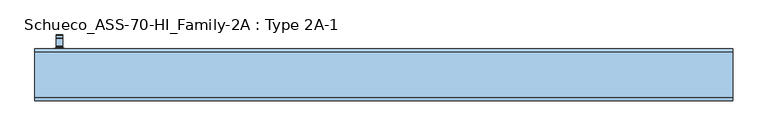
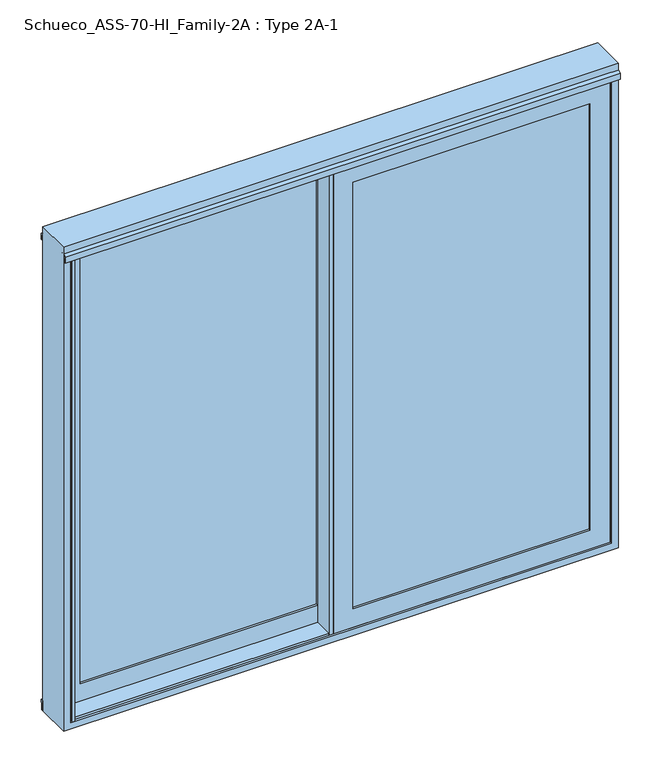
"""IFC4 building model written with IfcOpenShell, lengths in millimetres: window geometry, Schueco_ASS-70-HI_Family-2A : Type 2A-1."""

from ifc_helpers import new_model, si_unit, point, frame, frame_2d, origin, place, context, project, spatial, polyline, circle_curve, trimmed, segment, composite_curve, outline, extrude, faceted_brep, source, transform, mapped, element, save
from ifc_brep_helpers import plane_surface, cylinder_surface, revolved_surface, advanced_brep


def schueco_ass_70_hi_family_2a_type_2a_1_892fd0a1(model_context):
    return source(origin(), model_context, "Body", "SolidModel", [
        extrude(outline(polyline([(-34.0016236, -150.0), (-54.0015931, -150.0), (-54.0015931, -65.7878184), (0.0, -65.7878184), (0.0, -80.0102083), (-50.201528, -80.0102083), (-50.201528, -144.5000331), (-34.0016236, -144.5000331), (-34.0016236, -150.0)])), frame((0.0, 0.0, -6.9999052), z_axis=(0.0, 0.0, 1.0), x_axis=(1.0, 0.0, 0.0)), (0.0, 0.0, 1.0), 2187.9998104),
        extrude(outline(polyline([(2114.8998417, 32.1001583), (59.1001583, 32.1001583), (59.1001583, 1134.8998417), (2114.8998417, 1134.8998417), (2114.8998417, 32.1001583)]), holes=[polyline([(2092.899857, 1112.899857), (81.100143, 1112.899857), (81.100143, 54.100143), (2092.899857, 54.100143), (2092.899857, 1112.899857)])]), frame((0.0, -115.0324919, 0.0), z_axis=(0.0, 1.0, 0.0), x_axis=(0.0, 0.0, 1.0)), (0.0, 0.0, 1.0), 35.0222836),
        extrude(outline(polyline([(40.0984318, -115.0324919), (1126.9015682, -115.0324919), (1126.9015682, -141.0223361), (40.0984318, -141.0223361), (40.0984318, -115.0324919)])), frame((0.0, 0.0, 67.0984318), z_axis=(0.0, 0.0, 1.0), x_axis=(1.0, 0.0, 0.0)), (0.0, 0.0, 1.0), 2039.8031365),
        faceted_brep([(1201.0016236, -144.5000331, 2181.0016236), (1201.0016236, -150.0, 2181.0016236), (1201.0016236, -150.0, -7.0016236), (1201.0016236, -144.5000331, -7.0016236), (-34.0016236, -150.0, 2181.0016236), (-34.0016236, -150.0, -7.0016236), (1113.0016236, -150.0, 2093.0016236), (1113.0016236, -150.0, 80.9983764), (53.9983764, -150.0, 80.9983764), (53.9983764, -150.0, 2093.0016236), (-34.0016236, -144.5000331, -7.0016236), (-34.0016236, -144.5000331, 2181.0016236), (-3.9999052, -144.5000331, 2150.9999052), (-3.9999052, -144.5000331, 23.0000948), (1170.9999052, -144.5000331, 23.0000948), (1170.9999052, -144.5000331, 2150.9999052), (1170.9999052, -85.5102083, 2150.9999052), (1170.9999052, -85.5102083, 23.0000948), (-3.9999052, -85.5102083, 23.0000948), (-33.9999052, -85.5102083, 2180.9999052), (-33.9999052, -85.5102083, -6.9999052), (1200.9999052, -85.5102083, -6.9999052), (1200.9999052, -85.5102083, 2180.9999052), (-3.9999052, -85.5102083, 2150.9999052), (1200.9999052, -80.0102083, 2180.9999052), (1200.9999052, -80.0102083, -6.9999052), (-33.9999052, -80.0102083, -6.9999052), (-33.9999052, -80.0102083, 2180.9999052), (32.1001583, -80.0102083, 2114.8998417), (32.1001583, -80.0102083, 59.1001583), (1134.8998417, -80.0102083, 59.1001583), (1134.8998417, -80.0102083, 2114.8998417), (1126.9015682, -141.0223361, 2106.9015682), (1126.9015682, -115.0223361, 2106.9015682), (1126.9015682, -115.0223361, 67.0984318), (1126.9015682, -141.0223361, 67.0984318), (1134.8998417, -115.0223361, 2114.8998417), (1134.8998417, -115.0223361, 59.1001583), (32.1001583, -115.0223361, 59.1001583), (32.1001583, -115.0223361, 2114.8998417), (40.0984318, -115.0223361, 2106.9015682), (40.0984318, -115.0223361, 67.0984318), (40.0984318, -141.0223361, 67.0984318), (40.0984318, -141.0223361, 2106.9015682), (53.9983764, -141.0223361, 2093.0016236), (53.9983764, -141.0223361, 80.9983764), (1113.0016236, -141.0223361, 80.9983764), (1113.0016236, -141.0223361, 2093.0016236)], [[[0, 1, 2, 3]], [[4, 5, 2, 1], [6, 7, 8, 9]], [[3, 2, 5, 10]], [[0, 3, 10, 11], [12, 13, 14, 15]], [[16, 15, 14, 17]], [[17, 14, 13, 18]], [[19, 20, 21, 22], [16, 17, 18, 23]], [[24, 22, 21, 25]], [[25, 21, 20, 26]], [[24, 25, 26, 27], [28, 29, 30, 31]], [[32, 33, 34, 35]], [[36, 37, 38, 39], [40, 41, 34, 33]], [[35, 34, 41, 42]], [[32, 35, 42, 43], [44, 45, 46, 47]], [[6, 47, 46, 7]], [[7, 46, 45, 8]], [[10, 5, 4, 11]], [[18, 13, 12, 23]], [[26, 20, 19, 27]], [[42, 41, 40, 43]], [[8, 45, 44, 9]], [[38, 29, 28, 39]], [[37, 30, 29, 38]], [[36, 31, 30, 37]], [[11, 4, 1, 0]], [[23, 12, 15, 16]], [[27, 19, 22, 24]], [[43, 40, 33, 32]], [[9, 44, 47, 6]], [[39, 28, 31, 36]]]),
        advanced_brep(
        [(-1164.9498734, 71.9999695, 1004.0), (-1164.9498734, 71.9999695, 1229.2360009), (-1140.9498734, 71.9999695, 1229.2360009), (-1140.9498734, 71.9999695, 1004.0), (-1164.9498734, 23.9999695, 1004.005052), (-1140.9498734, 23.9999695, 1004.005052), (-1140.9498734, 59.9999695, 1004.005052), (-1164.9498734, 59.9999695, 1004.005052), (-1140.9498734, 71.414183, 1230.6502145), (-1140.9498734, 60.6501229, 1241.4142746), (-1140.9498734, 59.2359094, 1242.000061), (-1140.9498734, 31.9999695, 1242.000061), (-1140.9498734, 29.9999695, 1240.000061), (-1140.9498734, 29.9999695, 1229.000061), (-1140.9498734, 31.9999695, 1227.000061), (-1140.9498734, 52.6493095, 1227.000061), (-1140.9498734, 59.9999695, 1219.6494011), (-1164.9498734, 59.9999695, 1219.6494011), (-1164.9498734, 52.6493095, 1227.000061), (-1164.9498734, 31.9999695, 1227.000061), (-1164.9498734, 29.9999695, 1229.000061), (-1164.9498734, 29.9999695, 1240.000061), (-1164.9498734, 31.9999695, 1242.000061), (-1164.9498734, 59.2359094, 1242.000061), (-1164.9498734, 60.6501229, 1241.4142746), (-1164.9498734, 71.414183, 1230.6502145)],
        [
            (0, 1),
            (1, 2),
            (2, 3),
            (3, 0, circle_curve(frame((-1152.9498734, 71.9999695, 1004.005052), z_axis=(0.0, 1.0, 0.0), x_axis=(1.0, 0.0, 0.0)), 12.0)),
            (4, 5, circle_curve(frame((-1152.9498734, 23.9999695, 1004.005052), z_axis=(0.0, -1.0, 0.0), x_axis=(1.0, 0.0, 0.0)), 12.0)),
            (5, 4, circle_curve(frame((-1152.9498734, 23.9999695, 1004.005052), z_axis=(0.0, -1.0, 0.0), x_axis=(1.0, 0.0, 0.0)), 12.0)),
            (3, 6),
            (6, 5),
            (4, 7),
            (7, 0),
            (6, 7, circle_curve(frame((-1152.9498734, 59.9999695, 1004.005052), z_axis=(0.0, -1.0, 0.0), x_axis=(1.0, 0.0, 0.0)), 12.0)),
            (2, 8, circle_curve(frame((-1140.9498734, 69.9999695, 1229.2360009), z_axis=(1.0, 0.0, 0.0), x_axis=(0.0, 0.0, -1.0)), 2.0)),
            (8, 9),
            (9, 10, circle_curve(frame((-1140.9498734, 59.2359094, 1240.000061), z_axis=(1.0, 0.0, 0.0), x_axis=(0.0, 0.0, -1.0)), 2.0)),
            (10, 11),
            (11, 12, circle_curve(frame((-1140.9498734, 31.9999695, 1240.000061), z_axis=(1.0, 0.0, 0.0), x_axis=(0.0, 0.0, -1.0)), 2.0)),
            (12, 13),
            (13, 14, circle_curve(frame((-1140.9498734, 31.9999695, 1229.000061), z_axis=(1.0, 0.0, 0.0), x_axis=(0.0, 0.0, -1.0)), 2.0)),
            (14, 15),
            (15, 16, circle_curve(frame((-1140.9498734, 52.6493095, 1219.6494011), z_axis=(-1.0, 0.0, 0.0), x_axis=(0.0, 0.0, -1.0)), 7.35066)),
            (16, 6),
            (7, 17),
            (17, 18, circle_curve(frame((-1164.9498734, 52.6493095, 1219.6494011), z_axis=(1.0, 0.0, 0.0), x_axis=(0.0, 0.0, -1.0)), 7.35066)),
            (18, 19),
            (19, 20, circle_curve(frame((-1164.9498734, 31.9999695, 1229.000061), z_axis=(-1.0, 0.0, 0.0), x_axis=(0.0, 0.0, -1.0)), 2.0)),
            (20, 21),
            (21, 22, circle_curve(frame((-1164.9498734, 31.9999695, 1240.000061), z_axis=(-1.0, 0.0, 0.0), x_axis=(0.0, 0.0, -1.0)), 2.0)),
            (22, 23),
            (23, 24, circle_curve(frame((-1164.9498734, 59.2359094, 1240.000061), z_axis=(-1.0, 0.0, 0.0), x_axis=(0.0, 0.0, -1.0)), 2.0)),
            (24, 25),
            (25, 1, circle_curve(frame((-1164.9498734, 69.9999695, 1229.2360009), z_axis=(-1.0, 0.0, 0.0), x_axis=(0.0, 0.0, -1.0)), 2.0)),
            (16, 17),
            (15, 18),
            (14, 19),
            (13, 20),
            (12, 21),
            (11, 22),
            (10, 23),
            (9, 24),
            (8, 25),
        ],
        [
            plane_surface(frame((-1140.9498734, 71.9999695, 1004.005052), z_axis=(0.0, 1.0, 0.0), x_axis=(0.0, 0.0, 1.0))),
            plane_surface(frame((-1140.9498734, 23.9999695, 1004.005052), z_axis=(0.0, -1.0, 0.0), x_axis=(0.0, 0.0, -1.0))),
            cylinder_surface(frame((-1152.9498734, 23.9999695, 1004.005052), z_axis=(0.0, 1.0, 0.0), x_axis=(1.0, 0.0, 0.0)), 12.0),
            plane_surface(frame((-1140.9498734, 71.9999695, 1009.7503433), z_axis=(1.0, 0.0, 0.0), x_axis=(0.0, 0.0, -1.0))),
            plane_surface(frame((-1164.9498734, 71.9999695, 1009.7503433), z_axis=(-1.0, 0.0, 0.0), x_axis=(0.0, 0.0, 1.0))),
            plane_surface(frame((-1140.9498734, 59.9999695, 1004.0), z_axis=(0.0, -1.0, 0.0), x_axis=(-1.0, 0.0, 0.0))),
            revolved_surface(polyline([(-1164.9498734, 52.6493095, 1212.2987411), (-1140.9498734, 52.6493095, 1212.2987411)]), (-1164.9498734, 52.6493095, 1219.6494011), (-1.0, 0.0, 0.0)),
            plane_surface(frame((-1140.9498734, 52.6493095, 1227.000061), z_axis=(0.0, 0.0, -1.0), x_axis=(-1.0, 0.0, 0.0))),
            cylinder_surface(frame((-1164.9498734, 31.9999695, 1229.000061), z_axis=(1.0, 0.0, 0.0), x_axis=(0.0, 0.0, -1.0)), 2.0),
            plane_surface(frame((-1140.9498734, 29.9999695, 1229.000061), z_axis=(0.0, -1.0, 0.0), x_axis=(-1.0, 0.0, 0.0))),
            cylinder_surface(frame((-1164.9498734, 31.9999695, 1240.000061), z_axis=(1.0, 0.0, 0.0), x_axis=(0.0, 0.0, -1.0)), 2.0),
            plane_surface(frame((-1140.9498734, 31.9999695, 1242.000061), z_axis=(0.0, 0.0, 1.0), x_axis=(-1.0, 0.0, 0.0))),
            cylinder_surface(frame((-1164.9498734, 59.2359094, 1240.000061), z_axis=(1.0, 0.0, 0.0), x_axis=(0.0, 0.0, -1.0)), 2.0),
            plane_surface(frame((-1140.9498734, 60.6501229, 1241.4142746), z_axis=(0.0, 0.7071067811865422, 0.7071067811865528), x_axis=(-1.0, 0.0, 0.0))),
            cylinder_surface(frame((-1164.9498734, 69.9999695, 1229.2360009), z_axis=(1.0, 0.0, 0.0), x_axis=(0.0, 0.0, -1.0)), 2.0),
        ],
        [
            (0, [[1, 2, 3, 4]]),
            (1, [[5, 6]]),
            (2, [[7, 8, -5, 9, 10, -4]]),
            (2, [[-8, 11, -9, -6]]),
            (3, [[12, 13, 14, 15, 16, 17, 18, 19, 20, 21, -7, -3]]),
            (4, [[-1, -10, 22, 23, 24, 25, 26, 27, 28, 29, 30, 31]]),
            (5, [[32, -22, -11, -21]]),
            (6, [[33, -23, -32, -20]]),
            (7, [[34, -24, -33, -19]]),
            (8, [[35, -25, -34, -18]]),
            (9, [[36, -26, -35, -17]]),
            (10, [[37, -27, -36, -16]]),
            (11, [[38, -28, -37, -15]]),
            (12, [[39, -29, -38, -14]]),
            (13, [[40, -30, -39, -13]]),
            (14, [[-2, -31, -40, -12]]),
        ],
    ),
        extrude(outline(composite_curve([segment(trimmed(circle_curve(frame_2d((922.2823932, -1152.9498734)), 16.75), [point((922.2823932, -1169.6998734))], [point((922.2823932, -1136.1998734))], False, "CARTESIAN"), True, "CONTINUOUS"), segment(polyline([(922.2823932, -1136.1998734), (1049.0099288, -1136.1998734)]), True, "CONTINUOUS"), segment(trimmed(circle_curve(frame_2d((1049.0099288, -1152.9498734)), 16.75), [point((1049.0099288, -1136.1998734))], [point((1049.0099288, -1169.6998734))], False, "CARTESIAN"), True, "CONTINUOUS"), segment(polyline([(1049.0099288, -1169.6998734), (922.2823932, -1169.6998734)]), True, "CONTINUOUS")], self_intersect=False)), frame((0.0, 10.0, 0.0), z_axis=(0.0, 1.0, 0.0), x_axis=(0.0, 0.0, 1.0)), (0.0, 0.0, 1.0), 13.9999695),
        extrude(outline(polyline([(2114.8998417, -32.1001583), (2114.8998417, -1134.8998417), (59.1001583, -1134.8998417), (59.1001583, -32.1001583), (2114.8998417, -32.1001583)]), holes=[polyline([(2092.899857, -1112.899857), (2092.899857, -54.100143), (81.100143, -54.100143), (81.100143, -1112.899857), (2092.899857, -1112.899857)])]), frame((0.0, -24.9999865, 0.0), z_axis=(0.0, 1.0, 0.0), x_axis=(0.0, 0.0, 1.0)), (0.0, 0.0, 1.0), 35.0222836),
        extrude(outline(polyline([(-40.0984318, -24.9999865), (-40.0984318, -50.9898307), (-1126.9015682, -50.9898307), (-1126.9015682, -24.9999865), (-40.0984318, -24.9999865)])), frame((0.0, 0.0, 67.0984318), z_axis=(0.0, 0.0, 1.0), x_axis=(1.0, 0.0, 0.0)), (0.0, 0.0, 1.0), 2039.8031365),
        extrude(outline(polyline([(54.0015931, 10.0222971), (54.0015931, -74.1898845), (0.0, -74.1898845), (0.0, -59.9674946), (50.201528, -59.9674946), (50.201528, 4.5223302), (34.0016236, 4.5223302), (34.0016236, 10.0222971), (54.0015931, 10.0222971)])), frame((0.0, 0.0, -6.9999052), z_axis=(0.0, 0.0, 1.0), x_axis=(1.0, 0.0, 0.0)), (0.0, 0.0, 1.0), 2187.9998104),
        faceted_brep([(-1201.0016236, -54.4675277, 2181.0016236), (-1201.0016236, -54.4675277, -7.0016236), (-1201.0016236, -59.9674946, -7.0016236), (-1201.0016236, -59.9674946, 2181.0016236), (34.0016236, -59.9674946, 2181.0016236), (34.0016236, -59.9674946, -7.0016236), (-1113.0016236, -59.9674946, 2093.0016236), (-53.9983764, -59.9674946, 2093.0016236), (-53.9983764, -59.9674946, 80.9983764), (-1113.0016236, -59.9674946, 80.9983764), (34.0016236, -54.4675277, -7.0016236), (34.0016236, -54.4675277, 2181.0016236), (3.9999052, -54.4675277, 2150.9999052), (-1170.9999052, -54.4675277, 2150.9999052), (-1170.9999052, -54.4675277, 23.0000948), (3.9999052, -54.4675277, 23.0000948), (-1170.9999052, 4.5222971, 2150.9999052), (-1170.9999052, 4.5222971, 23.0000948), (3.9999052, 4.5222971, 23.0000948), (33.9999052, 4.5222971, 2180.9999052), (-1200.9999052, 4.5222971, 2180.9999052), (-1200.9999052, 4.5222971, -6.9999052), (33.9999052, 4.5222971, -6.9999052), (3.9999052, 4.5222971, 2150.9999052), (-1200.9999052, 10.0222971, 2180.9999052), (-1200.9999052, 10.0222971, -6.9999052), (33.9999052, 10.0222971, -6.9999052), (33.9999052, 10.0222971, 2180.9999052), (-32.1001583, 10.0222971, 2114.8998417), (-1134.8998417, 10.0222971, 2114.8998417), (-1134.8998417, 10.0222971, 59.1001583), (-32.1001583, 10.0222971, 59.1001583), (-1126.9015682, -50.9898307, 2106.9015682), (-1126.9015682, -50.9898307, 67.0984318), (-1126.9015682, -24.9898307, 67.0984318), (-1126.9015682, -24.9898307, 2106.9015682), (-1134.8998417, -24.9898307, 2114.8998417), (-32.1001583, -24.9898307, 2114.8998417), (-32.1001583, -24.9898307, 59.1001583), (-1134.8998417, -24.9898307, 59.1001583), (-40.0984318, -24.9898307, 2106.9015682), (-40.0984318, -24.9898307, 67.0984318), (-40.0984318, -50.9898307, 67.0984318), (-40.0984318, -50.9898307, 2106.9015682), (-53.9983764, -50.9898307, 2093.0016236), (-1113.0016236, -50.9898307, 2093.0016236), (-1113.0016236, -50.9898307, 80.9983764), (-53.9983764, -50.9898307, 80.9983764)], [[[0, 1, 2, 3]], [[4, 3, 2, 5], [6, 7, 8, 9]], [[1, 10, 5, 2]], [[0, 11, 10, 1], [12, 13, 14, 15]], [[16, 17, 14, 13]], [[17, 18, 15, 14]], [[19, 20, 21, 22], [16, 23, 18, 17]], [[24, 25, 21, 20]], [[25, 26, 22, 21]], [[24, 27, 26, 25], [28, 29, 30, 31]], [[32, 33, 34, 35]], [[36, 37, 38, 39], [40, 35, 34, 41]], [[33, 42, 41, 34]], [[32, 43, 42, 33], [44, 45, 46, 47]], [[6, 9, 46, 45]], [[9, 8, 47, 46]], [[10, 11, 4, 5]], [[18, 23, 12, 15]], [[26, 27, 19, 22]], [[42, 43, 40, 41]], [[8, 7, 44, 47]], [[38, 37, 28, 31]], [[39, 38, 31, 30]], [[36, 39, 30, 29]], [[11, 0, 3, 4]], [[23, 16, 13, 12]], [[27, 24, 20, 19]], [[43, 32, 35, 40]], [[7, 6, 45, 44]], [[37, 36, 29, 28]]]),
        extrude(outline(polyline([(-1191.0160727, -150.0), (-1200.9999052, -150.0), (-1200.9999052, -141.2), (-1193.0, -141.2), (-1193.0, -74.1898845), (-1209.0321213, -74.1898845), (-1209.0321213, -65.7287223), (-1191.0160727, -65.7287223), (-1191.0160727, -150.0)])), frame((0.0, 0.0, -15.0), z_axis=(0.0, 0.0, 1.0), x_axis=(1.0, 0.0, 0.0)), (0.0, 0.0, 1.0), 2188.0000489),
        extrude(outline(polyline([(1191.0161552, -74.2712776), (1191.0161552, 10.0), (1200.9999878, 10.0), (1200.9999878, 1.2), (1193.0000826, 1.2), (1193.0000826, -65.8101155), (1209.0322039, -65.8101155), (1209.0322039, -74.2712776), (1191.0161552, -74.2712776)])), frame((0.0, 0.0, -14.9999878), z_axis=(0.0, 0.0, 1.0), x_axis=(1.0, 0.0, 0.0)), (0.0, 0.0, 1.0), 2195.999893),
        faceted_brep([(-54.0015931, -150.0, 2.9839273), (-54.0015931, -150.0, -6.9999052), (-54.0015931, -141.2, -6.9999052), (-54.0015931, -141.2, 1.0), (-54.0015931, -74.1898845, 1.0), (-54.0015931, -74.1898845, -15.0321213), (-54.0015931, -65.7287223, -15.0321213), (-54.0015931, -65.7287223, 2.9839273), (-1191.0160727, -150.0, 2173.0000489), (-1200.9999052, -150.0, 2173.0000489), (-1200.9999052, -150.0, -6.9999052), (-1191.0160727, -150.0, 2.9839273), (-1200.9999052, -141.2, -6.9999052), (-1200.9999052, -141.2, 2173.0000489), (-1193.0, -141.2, 2173.0000489), (-1193.0, -141.2, 1.0), (-1193.0, -74.1898845, 1.0), (-1193.0, -74.1898845, 2173.0000489), (-1209.0321213, -74.1898845, 2173.0000489), (-1209.0321213, -74.1898845, -15.0321213), (-1209.0321213, -65.7287223, -15.0321213), (-1209.0321213, -65.7287223, 2173.0000489), (-1191.0160727, -65.7287223, 2173.0000489), (-1191.0160727, -65.7287223, 2.9839273)], [[[0, 1, 2, 3, 4, 5, 6, 7]], [[8, 9, 10, 1, 0, 11]], [[10, 12, 2, 1]], [[13, 14, 15, 3, 2, 12]], [[15, 16, 4, 3]], [[17, 18, 19, 5, 4, 16]], [[19, 20, 6, 5]], [[21, 22, 23, 7, 6, 20]], [[23, 11, 0, 7]], [[22, 8, 11, 23]], [[18, 21, 20, 19]], [[14, 17, 16, 15]], [[9, 13, 12, 10]], [[8, 22, 21, 18, 17, 14, 13, 9]]]),
        faceted_brep([(-1240.0, -149.9799122, 2240.0), (-1240.0, 10.0, 2240.0), (-1240.0, 10.0, -46.0), (-1240.0, -150.0, -46.0), (1240.0, 10.0, 2240.0), (1240.0, 10.0, -46.0), (1208.9999878, 10.0, 2209.0000341), (-1208.9999878, 10.0, 2209.0000341), (-1208.9999878, 10.0, -14.9999878), (1208.9999878, 10.0, -14.9999878), (1240.0, -149.9799122, -46.0), (1240.0, -149.9799122, 2240.0), (-1209.0, -149.9799122, 2209.0000341), (1209.0, -149.9799122, 2209.0000341), (1209.0, -149.9799122, -15.0), (-1209.0, -149.9799122, -15.0), (-1193.0, -48.300567, 1.0), (1193.0, -48.300567, 1.0), (1193.0, -1.7117574, 1.0), (-1193.0, -1.7117574, 1.0), (-1209.0, -141.2, -15.0), (1209.0, -141.2, -15.0), (-1208.9999878, 1.2, -14.9999878), (1208.9999878, 1.2, -14.9999878), (-1193.0, -91.6994085, 1.0), (-1193.0, -138.300567, 1.0), (1193.0, -138.300567, 1.0), (1193.0, -91.6994085, 1.0), (-1200.9661267, -141.2, -6.9661267), (1200.9661267, -141.2, -6.9661267), (1200.9661267, -88.7999755, -6.9661267), (-1200.9661267, -88.7999755, -6.9661267), (-1209.0321213, -51.2, -15.0321213), (-1209.0321213, -88.7999755, -15.0321213), (1209.0321213, -88.7999755, -15.0321213), (1209.0321213, -51.2, -15.0321213), (-1200.9661267, -51.2, -6.9661267), (1200.9661267, -51.2, -6.9661267), (-1193.0, -44.0436655, 2205.1913198), (1193.0, -44.0436655, 2205.1913198), (1193.0, -48.300567, 2205.1913198), (1200.9661267, -51.2, 2205.1913198), (1209.0321213, -51.2, 2205.1913198), (1209.0321213, -88.7999755, 2205.1913198), (1200.9661267, -88.7999755, 2205.1913198), (1193.0, -91.6994085, 2205.1913198), (1193.0, -95.9362468, 2205.1913198), (-1193.0, -95.9362468, 2205.1913198), (-1193.0, -91.6994085, 2205.1913198), (-1200.9661267, -88.7999755, 2205.1913198), (-1209.0321213, -88.7999755, 2205.1913198), (-1209.0321213, -51.2, 2205.1913198), (-1200.9661267, -51.2, 2205.1913198), (-1193.0, -48.300567, 2205.1913198), (-1209.0, -141.2, 2209.0000341), (-1200.9661267, -141.2, 2209.0000341), (-1200.3614407, -140.9799122, 2209.0000341), (1200.3614407, -140.9799122, 2209.0000341), (1200.9661267, -141.2, 2209.0000341), (1209.0, -141.2, 2209.0000341), (1208.9999878, 1.2, 2209.0000341), (1200.9999878, 1.2, 2209.0000341), (1200.4504923, 1.0, 2209.0000341), (-1200.4504923, 1.0, 2209.0000341), (-1200.9999878, 1.2, 2209.0000341), (-1208.9999878, 1.2, 2209.0000341), (-1193.0, -134.9837976, 2193.0), (1193.0, -134.9837976, 2193.0), (1193.0, -138.300567, 2193.0), (1200.3614407, -140.9799122, 2193.0), (-1200.3614407, -140.9799122, 2193.0), (-1193.0, -138.300567, 2193.0), (-1193.0, -91.6994085, 2173.0000489), (-1193.0, -138.300567, 2173.0000489), (-1193.0, -138.300567, 2180.9293941), (-1193.0, -134.9837976, 2184.2461635), (-1193.0, -91.6994085, 2180.4194362), (-1193.0, -95.9362468, 2184.6562744), (1193.0, -138.300567, 2173.0000489), (1193.0, -91.6994085, 2173.0000489), (1193.0, -138.300567, 2180.9293941), (1193.0, -134.9837976, 2184.2461635), (1193.0, -91.6994085, 2180.4194362), (1193.0, -95.9362468, 2184.6562744), (-1197.6139633, -139.9799122, 2173.0000489), (-1197.6139633, -139.9799122, 2179.2500488), (1197.6139633, -139.9799122, 2179.2500488), (1197.6139633, -139.9799122, 2173.0000489), (1196.3502391, -90.4800212, 2173.0000489), (1196.3502391, -90.4800212, 2179.2000488), (-1196.3502391, -90.4800212, 2179.2000488), (-1196.3502391, -90.4800212, 2173.0000489), (-1193.0, -48.300567, 2173.0000489), (-1196.2951159, -49.4998911, 2173.0000489), (-1196.2951159, -49.4998911, 2179.2000488), (-1193.0, -48.300567, 2180.3993729), (1193.0, -48.300567, 2180.3993729), (1196.2951159, -49.4998911, 2179.2000488), (1196.2951159, -49.4998911, 2173.0000489), (1193.0, -48.300567, 2173.0000489), (-1200.9999878, 1.2, -6.9999878), (1200.9999878, 1.2, -6.9999878), (1193.0, -1.7117574, 2173.0000489), (1193.0, -44.0436655, 2184.6562744), (1193.0, -1.7117574, 2193.0), (1193.0, -1.7117574, 2180.9618063), (1193.0, -4.9961146, 2184.2461635), (1193.0, -4.9961146, 2193.0), (-1193.0, -1.7117574, 2173.0000489), (-1193.0, -44.0436655, 2184.6562744), (-1193.0, -1.7117574, 2180.9618063), (-1193.0, -1.7117574, 2193.0), (-1193.0, -4.9961146, 2193.0), (-1193.0, -4.9961146, 2184.2461635), (1197.7030149, 0.0, 2173.0000489), (1197.7030149, 0.0, 2179.2500488), (1200.4504923, 1.0, 2193.0), (-1200.4504923, 1.0, 2193.0), (-1197.7030149, 0.0, 2179.2500488), (-1197.7030149, 0.0, 2173.0000489)], [[[0, 1, 2, 3]], [[2, 1, 4, 5], [6, 7, 8, 9]], [[0, 3, 10, 11], [12, 13, 14, 15]], [[4, 11, 10, 5]], [[16, 17, 18, 19]], [[20, 15, 14, 21]], [[8, 22, 23, 9]], [[24, 25, 26, 27]], [[26, 25, 28, 29]], [[24, 27, 30, 31]], [[32, 33, 34, 35]], [[16, 36, 37, 17]], [[4, 1, 0, 11]], [[38, 39, 40, 41, 42, 43, 44, 45, 46, 47, 48, 49, 50, 51, 52, 53]], [[13, 12, 54, 55, 56, 57, 58, 59]], [[7, 6, 60, 61, 62, 63, 64, 65]], [[66, 67, 68, 69, 70, 71]], [[3, 2, 5, 10]], [[21, 14, 13, 59]], [[15, 20, 54, 12]], [[22, 8, 7, 65]], [[9, 23, 60, 6]], [[25, 24, 72, 73]], [[71, 74, 75, 66]], [[76, 48, 47, 77]], [[27, 26, 78, 79]], [[80, 68, 67, 81]], [[45, 82, 83, 46]], [[20, 21, 59, 58, 29, 28, 55, 54]], [[28, 25, 73, 84, 85, 74, 71, 70, 56, 55]], [[26, 29, 58, 57, 69, 68, 80, 86, 87, 78]], [[30, 27, 79, 88, 89, 82, 45, 44]], [[31, 30, 44, 43, 34, 33, 50, 49]], [[24, 31, 49, 48, 76, 90, 91, 72]], [[33, 32, 51, 50]], [[35, 34, 43, 42]], [[32, 35, 42, 41, 37, 36, 52, 51]], [[36, 16, 92, 93, 94, 95, 53, 52]], [[17, 37, 41, 40, 96, 97, 98, 99]], [[23, 22, 65, 64, 100, 101, 61, 60]], [[18, 17, 99, 102]], [[96, 40, 39, 103]], [[104, 105, 106, 107]], [[19, 18, 101, 100]], [[16, 19, 108, 92]], [[53, 95, 109, 38]], [[110, 111, 112, 113]], [[101, 18, 102, 114, 115, 105, 104, 116, 62, 61]], [[19, 100, 64, 63, 117, 111, 110, 118, 119, 108]], [[39, 38, 109, 103]], [[47, 46, 83, 77]], [[57, 56, 70, 69]], [[116, 117, 63, 62]], [[117, 116, 104, 107, 112, 111]], [[112, 107, 106, 113]], [[113, 106, 105, 115, 118, 110]], [[118, 115, 114, 119]], [[119, 114, 102, 99, 98, 93, 92, 108]], [[93, 98, 97, 94]], [[94, 97, 96, 103, 109, 95]], [[77, 83, 82, 89, 90, 76]], [[90, 89, 88, 91]], [[91, 88, 79, 78, 87, 84, 73, 72]], [[84, 87, 86, 85]], [[85, 86, 80, 81, 75, 74]], [[67, 66, 75, 81]]]),
        extrude(outline(polyline([(-158.5798866, 2193.0), (-158.5798866, 2173.0000489), (-162.5798866, 2173.0000489), (-162.5798866, 2201.7254355), (-149.9799122, 2209.0000341), (-140.9799122, 2209.0000341), (-140.9799122, 2193.0), (-158.5798866, 2193.0)])), frame((-1240.0, 0.0, 0.0), z_axis=(1.0, 0.0, 0.0), x_axis=(0.0, 1.0, 0.0)), (0.0, 0.0, 1.0), 2480.0),
        extrude(outline(polyline([(18.5999743, 2193.0), (1.0, 2193.0), (1.0, 2209.0000341), (10.0, 2209.0000341), (22.5999743, 2201.7254355), (22.5999743, 2173.0000489), (18.5999743, 2173.0000489), (18.5999743, 2193.0)])), frame((-1240.0, 0.0, 0.0), z_axis=(1.0, 0.0, 0.0), x_axis=(0.0, 1.0, 0.0)), (0.0, 0.0, 1.0), 2480.0),
        extrude(outline(polyline([(22.6000344, 0.960942), (22.6000344, -10.8383681), (18.0993105, -15.3390921), (18.0993105, -46.0), (10.0, -46.0), (10.0, 0.960942), (22.6000344, 0.960942)])), frame((-1240.0, 0.0, 0.0), z_axis=(1.0, 0.0, 0.0), x_axis=(0.0, 1.0, 0.0)), (0.0, 0.0, 1.0), 2480.0),
    ])


if __name__ == "__main__":
    model = new_model("IFC4")
    model_context = context("Model", 3, world=origin())
    ifc_project = project(units=[si_unit("LENGTHUNIT", "METRE", prefix="MILLI")], contexts=[model_context])
    site = spatial("IfcSite", under=ifc_project)
    building = spatial("IfcBuilding", under=site)
    placement = place(None, origin())
    schueco_ass_70_hi_family_2a_type_2a_1_shape = schueco_ass_70_hi_family_2a_type_2a_1_892fd0a1(model_context)
    element("IfcWindow", 1, ObjectType="Schueco_ASS-70-HI_Family-2A : Type 2A-1", at=placement, inside=building, context=model_context, shape_type="MappedRepresentation", body=[
        mapped(schueco_ass_70_hi_family_2a_type_2a_1_shape, transform((0.0, 0.0, 0.0), x_axis=(1.0, 0.0, 0.0), y_axis=(0.0, 1.0, 0.0), z_axis=(0.0, 0.0, 1.0))),
    ])
    save(model, "model.ifc")
